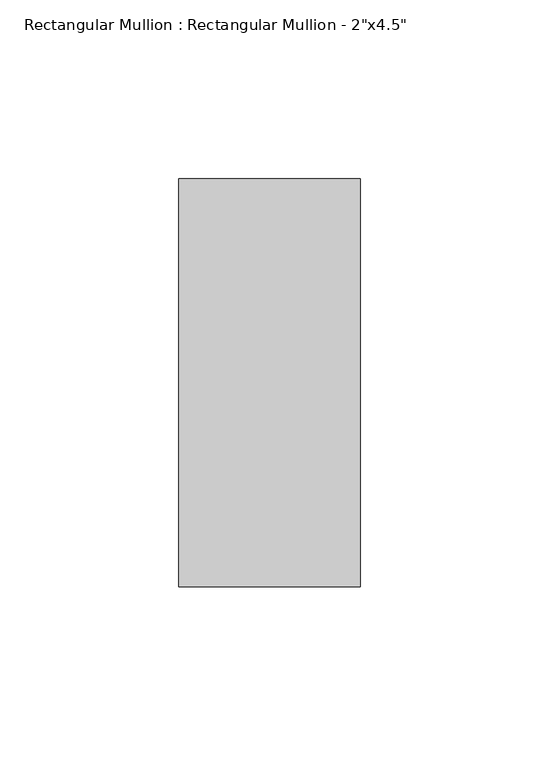
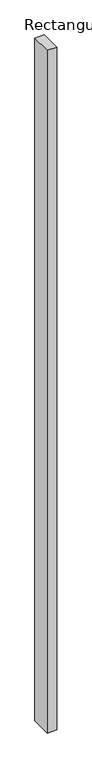
"""IFC4 building model written with IfcOpenShell, lengths in millimetres: member geometry."""

import ifcopenshell
import ifcopenshell.guid

model = None  # the IFC model being written
_history = None  # IfcOwnerHistory: only IFC2X3 demands one
_inside = {}  # id of a spatial element -> (the spatial element, [elements in it])
_under = {}  # id of a project, library or spatial element -> (it, [spatial elements below it])
_declared = {}  # id of a project -> (the project, [libraries it declares])
_typed = {}  # id of a type object -> (the type object, [elements of that type])
_made_of = {}  # id of a material, layer set ... -> (it, [elements and type objects made of it])


def new_model(schema):
    """Start an empty IFC model of exactly this schema.

    Asked for "IFC4X3", IfcOpenShell would pick the latest addendum, in which some entities
    have other attributes; the version numbers below select the first issue.
    IFC2X3 requires an IfcOwnerHistory on every rooted entity: one is made here for all.
    """
    global model, _history
    if schema == "IFC4X3":
        model = ifcopenshell.file(schema_version=(4, 3, 0, 0))
    else:
        model = ifcopenshell.file(schema=schema)
    _inside.clear()
    _under.clear()
    _declared.clear()
    _typed.clear()
    _made_of.clear()
    _history = None
    if model.schema == "IFC2X3":
        org = make("IfcOrganization", Name="unknown")
        user = make(
            "IfcPersonAndOrganization",
            ThePerson=make("IfcPerson", FamilyName="unknown"),
            TheOrganization=org,
        )
        app = make(
            "IfcApplication",
            ApplicationDeveloper=org,
            Version="unknown",
            ApplicationFullName="unknown",
            ApplicationIdentifier="unknown",
        )
        _history = make(
            "IfcOwnerHistory",
            OwningUser=user,
            OwningApplication=app,
            ChangeAction="ADDED",
            CreationDate=0,
        )
    return model


def make(cls, **values):
    """One entity of the class cls with the attributes given. An attribute that is None is left unset."""
    return model.create_entity(
        cls, **{name: value for name, value in values.items() if value is not None}
    )


def rooted(cls, **values):
    """An entity with a GlobalId (a new one), such as an element, a storey or a relation."""
    return make(cls, GlobalId=ifcopenshell.guid.new(), OwnerHistory=_history, **values)


def si_unit(unit_type, name, prefix=None):
    """IfcSIUnit, for example si_unit("LENGTHUNIT", "METRE", prefix="MILLI")."""
    return make("IfcSIUnit", UnitType=unit_type, Prefix=prefix, Name=name)


def assignment(units):
    """IfcUnitAssignment: the units of a project."""
    return None if units is None else make("IfcUnitAssignment", Units=units)


def point(xyz):
    """IfcCartesianPoint."""
    return None if xyz is None else make("IfcCartesianPoint", Coordinates=xyz)


def direction(xyz):
    """IfcDirection."""
    return None if xyz is None else make("IfcDirection", DirectionRatios=xyz)


def frame(location, z_axis=None, x_axis=None):
    """IfcAxis2Placement3D, a coordinate frame: its origin and axes. An axis left out is left unset."""
    return make(
        "IfcAxis2Placement3D",
        Location=point(location),
        Axis=direction(z_axis),
        RefDirection=direction(x_axis),
    )


def origin():
    """The frame at (0, 0, 0) with its axes left unset."""
    return frame((0.0, 0.0, 0.0))


def place(relative_to, where):
    """IfcLocalPlacement: puts the frame where relative to a parent placement (None: the world)."""
    return make(
        "IfcLocalPlacement", PlacementRelTo=relative_to, RelativePlacement=where
    )


def context(
    kind, dimensions, precision=None, world=None, true_north=None, identifier=None
):
    """IfcGeometricRepresentationContext, for example the 3D "Model" context."""
    return make(
        "IfcGeometricRepresentationContext",
        ContextIdentifier=identifier,
        ContextType=kind,
        CoordinateSpaceDimension=dimensions,
        Precision=precision,
        WorldCoordinateSystem=world,
        TrueNorth=true_north,
    )


def project(units=None, contexts=None):
    """IfcProject with its units and contexts."""
    return rooted(
        "IfcProject",
        Name="project",
        RepresentationContexts=contexts,
        UnitsInContext=assignment(units),
    )


def spatial(cls, under=None, at=None, **own):
    """A site, building, storey or space (cls), placed at a placement, below another one or the project."""
    s = rooted(cls, ObjectPlacement=at, **own)
    if under is not None:
        _under.setdefault(under.id(), (under, []))[1].append(s)
    return s


def polyline(points):
    """IfcPolyline through the points."""
    return make("IfcPolyline", Points=[point(p) for p in points])


def outline(outer, holes=None, kind="AREA"):
    """IfcArbitraryClosedProfileDef: a profile drawn as a closed curve; with holes, ...WithVoids."""
    if holes is None:
        return make("IfcArbitraryClosedProfileDef", ProfileType=kind, OuterCurve=outer)
    return make(
        "IfcArbitraryProfileDefWithVoids",
        ProfileType=kind,
        OuterCurve=outer,
        InnerCurves=holes,
    )


def extrude(swept, where, along, depth):
    """IfcExtrudedAreaSolid: the profile swept, set in the frame where, extruded along a direction by depth."""
    return make(
        "IfcExtrudedAreaSolid",
        SweptArea=swept,
        Position=where,
        ExtrudedDirection=direction(along),
        Depth=depth,
    )


def shape(context_of_items, identifier, shape_type, items):
    """IfcShapeRepresentation: the items that make up one representation, for example the "Body"."""
    return make(
        "IfcShapeRepresentation",
        ContextOfItems=context_of_items,
        RepresentationIdentifier=identifier,
        RepresentationType=shape_type,
        Items=items,
    )


def source(mapping_origin, context_of_items, identifier, shape_type, items):
    """IfcRepresentationMap: a shape defined once, which mapped items show again and again."""
    return make(
        "IfcRepresentationMap",
        MappingOrigin=mapping_origin,
        MappedRepresentation=shape(context_of_items, identifier, shape_type, items),
    )


def transform(
    local_origin,
    x_axis=None,
    y_axis=None,
    z_axis=None,
    scale=None,
    scale2=None,
    scale3=None,
    uniform=True,
):
    """IfcCartesianTransformationOperator3D, or its non-uniform kind. x_axis, y_axis, z_axis: its Axis1, 2, 3."""
    if uniform:
        return make(
            "IfcCartesianTransformationOperator3D",
            Axis1=direction(x_axis),
            Axis2=direction(y_axis),
            LocalOrigin=point(local_origin),
            Scale=scale,
            Axis3=direction(z_axis),
        )
    return make(
        "IfcCartesianTransformationOperator3DnonUniform",
        Axis1=direction(x_axis),
        Axis2=direction(y_axis),
        LocalOrigin=point(local_origin),
        Scale=scale,
        Axis3=direction(z_axis),
        Scale2=scale2,
        Scale3=scale3,
    )


def mapped(mapping_source, mapping_target):
    """IfcMappedItem: shows the shape of a source again, moved by a transform."""
    return make(
        "IfcMappedItem", MappingSource=mapping_source, MappingTarget=mapping_target
    )


def made_of(thing, what):
    """Note that an element or type object is made of a material, layer set ...; save() writes the relation."""
    if what is not None:
        _made_of.setdefault(what.id(), (what, []))[1].append(thing)
    return thing


def element(
    cls,
    number,
    at=None,
    inside=None,
    cuts=None,
    type_object=None,
    material=None,
    context=None,
    identifier="Body",
    shape_type=None,
    held_by="IfcProductDefinitionShape",
    body=None,
    shapes=None,
    **own,
):
    """One element of the class cls, such as IfcWall. Its Tag is "e" and its number.

    at: its placement. inside: the storey or other place that contains it. cuts: it is an
    opening in that element (IfcRelVoidsElement). A single representation is given by context,
    identifier, shape_type and body (its items); several are given by shapes. held_by: the class
    of the entity that holds the representations. save() writes the other relations.
    """
    e = rooted(cls, Tag="e%d" % number, ObjectPlacement=at, **own)
    if body is not None:
        shapes = [shape(context, identifier, shape_type, body)]
    if shapes is not None:
        e.Representation = make(held_by, Representations=shapes)
    if inside is not None:
        _inside.setdefault(inside.id(), (inside, []))[1].append(e)
    if cuts is not None:
        rooted(
            "IfcRelVoidsElement", RelatingBuildingElement=cuts, RelatedOpeningElement=e
        )
    if type_object is not None:
        _typed.setdefault(type_object.id(), (type_object, []))[1].append(e)
    return made_of(e, material)


def aggregate(whole, parts):
    """IfcRelAggregates: a whole, such as a stair, and the parts it consists of."""
    return rooted("IfcRelAggregates", RelatingObject=whole, RelatedObjects=parts)


def save(model, path):
    """Write the relations noted so far, then the file.

    IfcRelAggregates (storeys below a building ...), IfcRelContainedInSpatialStructure (elements
    in a storey), IfcRelDefinesByType, IfcRelAssociatesMaterial and IfcRelDeclares: one each for
    every whole, place, type object, material and project.
    """
    for whole, parts in _under.values():
        aggregate(whole, parts)
    for where, things in _inside.values():
        rooted(
            "IfcRelContainedInSpatialStructure",
            RelatedElements=things,
            RelatingStructure=where,
        )
    for kind, things in _typed.values():
        rooted("IfcRelDefinesByType", RelatedObjects=things, RelatingType=kind)
    for what, things in _made_of.values():
        rooted("IfcRelAssociatesMaterial", RelatedObjects=things, RelatingMaterial=what)
    for by, libraries in _declared.values():
        rooted("IfcRelDeclares", RelatingContext=by, RelatedDefinitions=libraries)
    model.write(path)


def member_059bd632(model_context):
    return source(origin(), model_context, "Body", "SweptSolid", [
        extrude(outline(polyline([(0.0, 57.15), (0.0, -57.15), (-50.8, -57.15), (-50.8, 57.15), (0.0, 57.15)])), frame((0.0, 0.0, -3860.8), z_axis=(0.0, 0.0, 1.0), x_axis=(1.0, 0.0, 0.0)), (0.0, 0.0, 1.0), 3860.8),
    ])


if __name__ == "__main__":
    model = new_model("IFC4")
    model_context = context("Model", 3, world=origin())
    ifc_project = project(units=[si_unit("LENGTHUNIT", "METRE", prefix="MILLI")], contexts=[model_context])
    site = spatial("IfcSite", under=ifc_project)
    building = spatial("IfcBuilding", under=site)
    placement = place(None, origin())
    member_shape = member_059bd632(model_context)
    element("IfcMember", 1, ObjectType="Rectangular Mullion : Rectangular Mullion - 2\"x4.5\"", at=placement, inside=building, context=model_context, shape_type="MappedRepresentation", body=[
        mapped(member_shape, transform((0.0, 0.0, 0.0), x_axis=(1.0, 0.0, 0.0), y_axis=(0.0, 1.0, 0.0), z_axis=(0.0, 0.0, 1.0))),
    ])
    save(model, "model.ifc")
